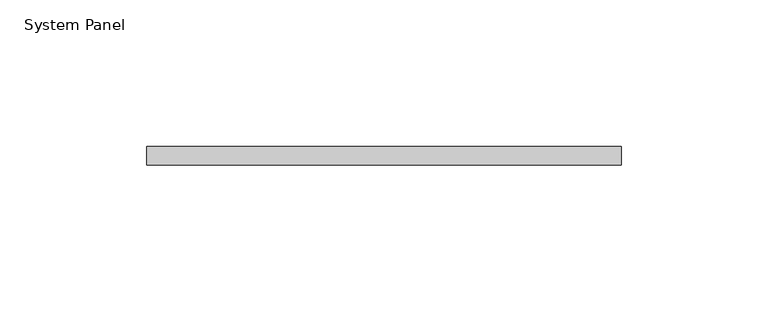
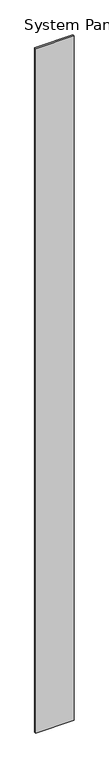
"""IFC4 building model written with IfcOpenShell, lengths in millimetres: plate geometry, System Panel."""

from ifc_helpers import new_model, si_unit, origin, origin_with_axes, place, context, project, spatial, polyline, outline, extrude, source, transform, mapped, element, save


def system_panel_a316355c(model_context):
    return source(origin(), model_context, "Body", "SweptSolid", [
        extrude(outline(polyline([(80.9870713, -6.35), (-80.9870713, -6.35), (-80.9870713, 0.0), (80.9870713, 0.0), (80.9870713, -6.35)])), origin_with_axes(), (0.0, 0.0, 1.0), 3048.0),
    ])


if __name__ == "__main__":
    model = new_model("IFC4")
    model_context = context("Model", 3, world=origin())
    ifc_project = project(units=[si_unit("LENGTHUNIT", "METRE", prefix="MILLI")], contexts=[model_context])
    site = spatial("IfcSite", under=ifc_project)
    building = spatial("IfcBuilding", under=site)
    placement = place(None, origin())
    system_panel_shape = system_panel_a316355c(model_context)
    element("IfcPlate", 1, ObjectType="System Panel", at=placement, inside=building, context=model_context, shape_type="MappedRepresentation", body=[
        mapped(system_panel_shape, transform((0.0, 0.0, 0.0), x_axis=(1.0, 0.0, 0.0), y_axis=(0.0, 1.0, 0.0), z_axis=(0.0, 0.0, 1.0))),
    ])
    save(model, "model.ifc")
